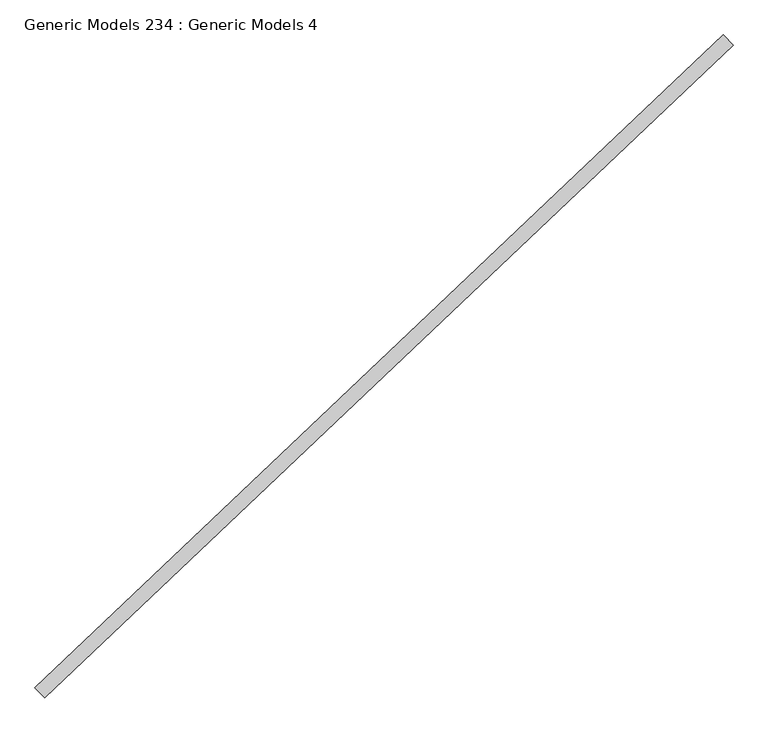
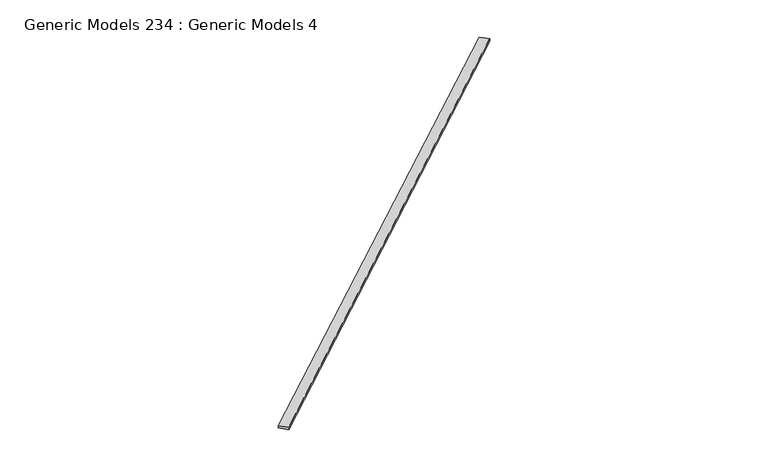
"""IFC4 building model written with IfcOpenShell, lengths in millimetres: proxy geometry, Generic Models 234 : Generic Models 4."""

import ifcopenshell
import ifcopenshell.guid

model = None  # the IFC model being written
_history = None  # IfcOwnerHistory: only IFC2X3 demands one
_inside = {}  # id of a spatial element -> (the spatial element, [elements in it])
_under = {}  # id of a project, library or spatial element -> (it, [spatial elements below it])
_declared = {}  # id of a project -> (the project, [libraries it declares])
_typed = {}  # id of a type object -> (the type object, [elements of that type])
_made_of = {}  # id of a material, layer set ... -> (it, [elements and type objects made of it])


def new_model(schema):
    """Start an empty IFC model of exactly this schema.

    Asked for "IFC4X3", IfcOpenShell would pick the latest addendum, in which some entities
    have other attributes; the version numbers below select the first issue.
    IFC2X3 requires an IfcOwnerHistory on every rooted entity: one is made here for all.
    """
    global model, _history
    if schema == "IFC4X3":
        model = ifcopenshell.file(schema_version=(4, 3, 0, 0))
    else:
        model = ifcopenshell.file(schema=schema)
    _inside.clear()
    _under.clear()
    _declared.clear()
    _typed.clear()
    _made_of.clear()
    _history = None
    if model.schema == "IFC2X3":
        org = make("IfcOrganization", Name="unknown")
        user = make(
            "IfcPersonAndOrganization",
            ThePerson=make("IfcPerson", FamilyName="unknown"),
            TheOrganization=org,
        )
        app = make(
            "IfcApplication",
            ApplicationDeveloper=org,
            Version="unknown",
            ApplicationFullName="unknown",
            ApplicationIdentifier="unknown",
        )
        _history = make(
            "IfcOwnerHistory",
            OwningUser=user,
            OwningApplication=app,
            ChangeAction="ADDED",
            CreationDate=0,
        )
    return model


def make(cls, **values):
    """One entity of the class cls with the attributes given. An attribute that is None is left unset."""
    return model.create_entity(
        cls, **{name: value for name, value in values.items() if value is not None}
    )


def rooted(cls, **values):
    """An entity with a GlobalId (a new one), such as an element, a storey or a relation."""
    return make(cls, GlobalId=ifcopenshell.guid.new(), OwnerHistory=_history, **values)


def si_unit(unit_type, name, prefix=None):
    """IfcSIUnit, for example si_unit("LENGTHUNIT", "METRE", prefix="MILLI")."""
    return make("IfcSIUnit", UnitType=unit_type, Prefix=prefix, Name=name)


def assignment(units):
    """IfcUnitAssignment: the units of a project."""
    return None if units is None else make("IfcUnitAssignment", Units=units)


def point(xyz):
    """IfcCartesianPoint."""
    return None if xyz is None else make("IfcCartesianPoint", Coordinates=xyz)


def direction(xyz):
    """IfcDirection."""
    return None if xyz is None else make("IfcDirection", DirectionRatios=xyz)


def frame(location, z_axis=None, x_axis=None):
    """IfcAxis2Placement3D, a coordinate frame: its origin and axes. An axis left out is left unset."""
    return make(
        "IfcAxis2Placement3D",
        Location=point(location),
        Axis=direction(z_axis),
        RefDirection=direction(x_axis),
    )


def origin():
    """The frame at (0, 0, 0) with its axes left unset."""
    return frame((0.0, 0.0, 0.0))


def place(relative_to, where):
    """IfcLocalPlacement: puts the frame where relative to a parent placement (None: the world)."""
    return make(
        "IfcLocalPlacement", PlacementRelTo=relative_to, RelativePlacement=where
    )


def context(
    kind, dimensions, precision=None, world=None, true_north=None, identifier=None
):
    """IfcGeometricRepresentationContext, for example the 3D "Model" context."""
    return make(
        "IfcGeometricRepresentationContext",
        ContextIdentifier=identifier,
        ContextType=kind,
        CoordinateSpaceDimension=dimensions,
        Precision=precision,
        WorldCoordinateSystem=world,
        TrueNorth=true_north,
    )


def project(units=None, contexts=None):
    """IfcProject with its units and contexts."""
    return rooted(
        "IfcProject",
        Name="project",
        RepresentationContexts=contexts,
        UnitsInContext=assignment(units),
    )


def spatial(cls, under=None, at=None, **own):
    """A site, building, storey or space (cls), placed at a placement, below another one or the project."""
    s = rooted(cls, ObjectPlacement=at, **own)
    if under is not None:
        _under.setdefault(under.id(), (under, []))[1].append(s)
    return s


def polyline(points):
    """IfcPolyline through the points."""
    return make("IfcPolyline", Points=[point(p) for p in points])


def outline(outer, holes=None, kind="AREA"):
    """IfcArbitraryClosedProfileDef: a profile drawn as a closed curve; with holes, ...WithVoids."""
    if holes is None:
        return make("IfcArbitraryClosedProfileDef", ProfileType=kind, OuterCurve=outer)
    return make(
        "IfcArbitraryProfileDefWithVoids",
        ProfileType=kind,
        OuterCurve=outer,
        InnerCurves=holes,
    )


def extrude(swept, where, along, depth):
    """IfcExtrudedAreaSolid: the profile swept, set in the frame where, extruded along a direction by depth."""
    return make(
        "IfcExtrudedAreaSolid",
        SweptArea=swept,
        Position=where,
        ExtrudedDirection=direction(along),
        Depth=depth,
    )


def shape(context_of_items, identifier, shape_type, items):
    """IfcShapeRepresentation: the items that make up one representation, for example the "Body"."""
    return make(
        "IfcShapeRepresentation",
        ContextOfItems=context_of_items,
        RepresentationIdentifier=identifier,
        RepresentationType=shape_type,
        Items=items,
    )


def source(mapping_origin, context_of_items, identifier, shape_type, items):
    """IfcRepresentationMap: a shape defined once, which mapped items show again and again."""
    return make(
        "IfcRepresentationMap",
        MappingOrigin=mapping_origin,
        MappedRepresentation=shape(context_of_items, identifier, shape_type, items),
    )


def transform(
    local_origin,
    x_axis=None,
    y_axis=None,
    z_axis=None,
    scale=None,
    scale2=None,
    scale3=None,
    uniform=True,
):
    """IfcCartesianTransformationOperator3D, or its non-uniform kind. x_axis, y_axis, z_axis: its Axis1, 2, 3."""
    if uniform:
        return make(
            "IfcCartesianTransformationOperator3D",
            Axis1=direction(x_axis),
            Axis2=direction(y_axis),
            LocalOrigin=point(local_origin),
            Scale=scale,
            Axis3=direction(z_axis),
        )
    return make(
        "IfcCartesianTransformationOperator3DnonUniform",
        Axis1=direction(x_axis),
        Axis2=direction(y_axis),
        LocalOrigin=point(local_origin),
        Scale=scale,
        Axis3=direction(z_axis),
        Scale2=scale2,
        Scale3=scale3,
    )


def mapped(mapping_source, mapping_target):
    """IfcMappedItem: shows the shape of a source again, moved by a transform."""
    return make(
        "IfcMappedItem", MappingSource=mapping_source, MappingTarget=mapping_target
    )


def made_of(thing, what):
    """Note that an element or type object is made of a material, layer set ...; save() writes the relation."""
    if what is not None:
        _made_of.setdefault(what.id(), (what, []))[1].append(thing)
    return thing


def element(
    cls,
    number,
    at=None,
    inside=None,
    cuts=None,
    type_object=None,
    material=None,
    context=None,
    identifier="Body",
    shape_type=None,
    held_by="IfcProductDefinitionShape",
    body=None,
    shapes=None,
    **own,
):
    """One element of the class cls, such as IfcWall. Its Tag is "e" and its number.

    at: its placement. inside: the storey or other place that contains it. cuts: it is an
    opening in that element (IfcRelVoidsElement). A single representation is given by context,
    identifier, shape_type and body (its items); several are given by shapes. held_by: the class
    of the entity that holds the representations. save() writes the other relations.
    """
    e = rooted(cls, Tag="e%d" % number, ObjectPlacement=at, **own)
    if body is not None:
        shapes = [shape(context, identifier, shape_type, body)]
    if shapes is not None:
        e.Representation = make(held_by, Representations=shapes)
    if inside is not None:
        _inside.setdefault(inside.id(), (inside, []))[1].append(e)
    if cuts is not None:
        rooted(
            "IfcRelVoidsElement", RelatingBuildingElement=cuts, RelatedOpeningElement=e
        )
    if type_object is not None:
        _typed.setdefault(type_object.id(), (type_object, []))[1].append(e)
    return made_of(e, material)


def aggregate(whole, parts):
    """IfcRelAggregates: a whole, such as a stair, and the parts it consists of."""
    return rooted("IfcRelAggregates", RelatingObject=whole, RelatedObjects=parts)


def save(model, path):
    """Write the relations noted so far, then the file.

    IfcRelAggregates (storeys below a building ...), IfcRelContainedInSpatialStructure (elements
    in a storey), IfcRelDefinesByType, IfcRelAssociatesMaterial and IfcRelDeclares: one each for
    every whole, place, type object, material and project.
    """
    for whole, parts in _under.values():
        aggregate(whole, parts)
    for where, things in _inside.values():
        rooted(
            "IfcRelContainedInSpatialStructure",
            RelatedElements=things,
            RelatingStructure=where,
        )
    for kind, things in _typed.values():
        rooted("IfcRelDefinesByType", RelatedObjects=things, RelatingType=kind)
    for what, things in _made_of.values():
        rooted("IfcRelAssociatesMaterial", RelatedObjects=things, RelatingMaterial=what)
    for by, libraries in _declared.values():
        rooted("IfcRelDeclares", RelatingContext=by, RelatedDefinitions=libraries)
    model.write(path)


def generic_models_234_generic_models_4_65369234(model_context):
    return source(origin(), model_context, "Body", "SweptSolid", [
        extrude(outline(polyline([(103193.4660831, 41004.6723895), (103097.3029488, 41106.0071891), (109799.2181062, 47465.8872026), (109895.3812404, 47364.5524029), (103193.4660831, 41004.6723895)])), frame((0.0, 0.0, 17809.8394961), z_axis=(0.0, 0.0, 1.0), x_axis=(1.0, 0.0, 0.0)), (0.0, 0.0, 1.0), 38.1),
    ])


if __name__ == "__main__":
    model = new_model("IFC4")
    model_context = context("Model", 3, world=origin())
    ifc_project = project(units=[si_unit("LENGTHUNIT", "METRE", prefix="MILLI")], contexts=[model_context])
    site = spatial("IfcSite", under=ifc_project)
    building = spatial("IfcBuilding", under=site)
    placement = place(None, origin())
    generic_models_234_generic_models_4_shape = generic_models_234_generic_models_4_65369234(model_context)
    element("IfcBuildingElementProxy", 1, Name="Generic Models 234 : Generic Models 4", ObjectType="Generic Models 234 : Generic Models 4", at=placement, inside=building, context=model_context, shape_type="MappedRepresentation", body=[
        mapped(generic_models_234_generic_models_4_shape, transform((0.0, 0.0, 0.0), x_axis=(1.0, 0.0, 0.0), y_axis=(0.0, 1.0, 0.0), z_axis=(0.0, 0.0, 1.0))),
    ])
    save(model, "model.ifc")
